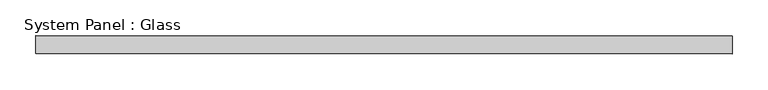
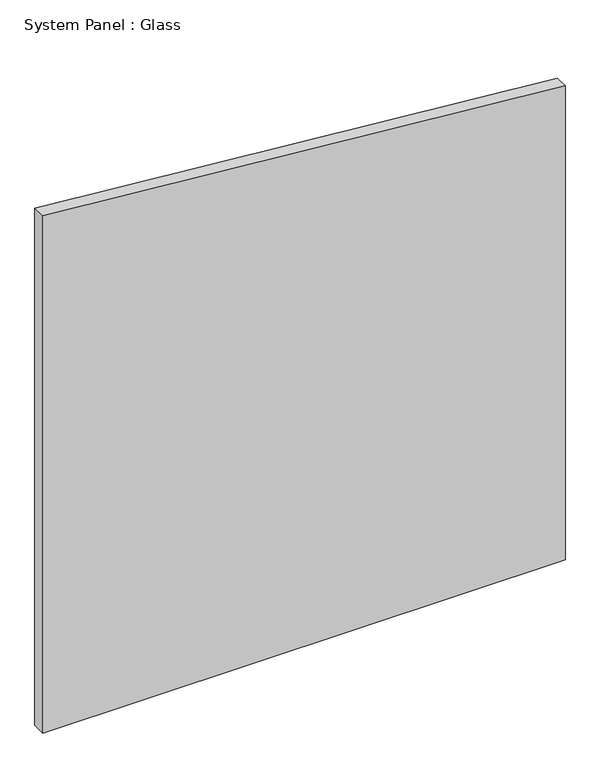
"""IFC4 building model written with IfcOpenShell, lengths in millimetres: plate geometry, System Panel : Glass."""

from ifc_helpers import new_model, si_unit, frame, origin, place, context, project, spatial, polyline, outline, extrude, source, transform, mapped, element, save


def system_panel_glass_2b976349(model_context):
    return source(origin(), model_context, "Body", "SweptSolid", [
        extrude(outline(polyline([(0.0, -483.3333334), (0.0, 483.3333334), (926.6826855, 483.3333334), (1011.2550603, -483.3333334), (0.0, -483.3333334)])), frame((0.0, 24.5, 0.0), z_axis=(0.0, 1.0, 0.0), x_axis=(0.0, 0.0, 1.0)), (0.0, 0.0, 1.0), 25.0),
    ])


if __name__ == "__main__":
    model = new_model("IFC4")
    model_context = context("Model", 3, world=origin())
    ifc_project = project(units=[si_unit("LENGTHUNIT", "METRE", prefix="MILLI")], contexts=[model_context])
    site = spatial("IfcSite", under=ifc_project)
    building = spatial("IfcBuilding", under=site)
    placement = place(None, origin())
    system_panel_glass_shape = system_panel_glass_2b976349(model_context)
    element("IfcPlate", 1, ObjectType="System Panel : Glass", at=placement, inside=building, context=model_context, shape_type="MappedRepresentation", body=[
        mapped(system_panel_glass_shape, transform((0.0, 0.0, 0.0), x_axis=(1.0, 0.0, 0.0), y_axis=(0.0, 1.0, 0.0), z_axis=(0.0, 0.0, 1.0))),
    ])
    save(model, "model.ifc")
